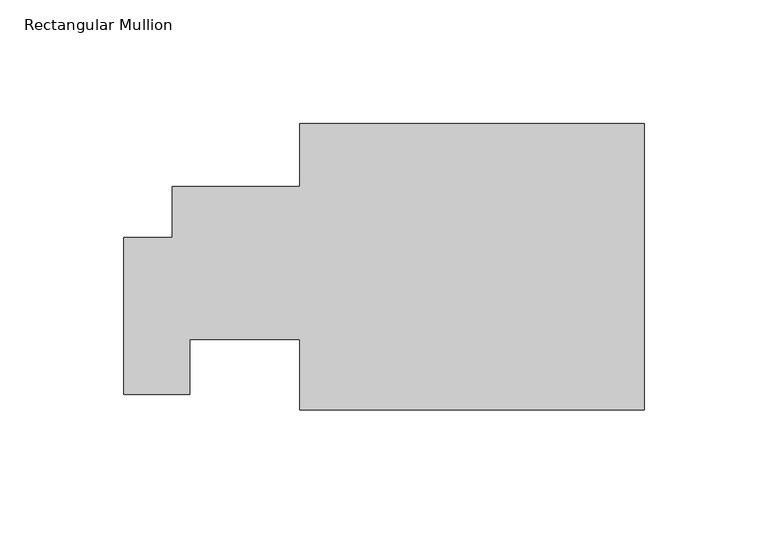
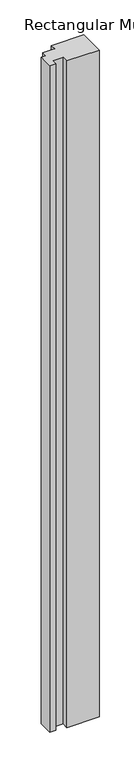
"""IFC4 building model written with IfcOpenShell, lengths in millimetres: member geometry, Rectangular Mullion."""

from ifc_helpers import new_model, si_unit, frame, origin, place, context, project, spatial, polyline, outline, extrude, source, transform, mapped, element, save


def rectangular_mullion_e2143f0f(model_context):
    return source(origin(), model_context, "Body", "SweptSolid", [
        extrude(outline(polyline([(-210.439, -60.7863735), (-210.439, 2.7136265), (-190.7911443, 2.7136265), (-190.7911443, 23.3745493), (-139.1973943, 23.3745493), (-139.1973943, 48.7744361), (0.0, 48.7744361), (0.0, -67.1363735), (-139.1973943, -67.1363735), (-139.1973943, -38.5614867), (-183.6431309, -38.5614867), (-183.6431309, -60.7863735), (-210.439, -60.7863735)])), frame((0.0, 0.0, -3048.0), z_axis=(0.0, 0.0, 1.0), x_axis=(1.0, 0.0, 0.0)), (0.0, 0.0, 1.0), 3048.0),
    ])


if __name__ == "__main__":
    model = new_model("IFC4")
    model_context = context("Model", 3, world=origin())
    ifc_project = project(units=[si_unit("LENGTHUNIT", "METRE", prefix="MILLI")], contexts=[model_context])
    site = spatial("IfcSite", under=ifc_project)
    building = spatial("IfcBuilding", under=site)
    placement = place(None, origin())
    rectangular_mullion_shape = rectangular_mullion_e2143f0f(model_context)
    element("IfcMember", 1, ObjectType="Rectangular Mullion", at=placement, inside=building, context=model_context, shape_type="MappedRepresentation", body=[
        mapped(rectangular_mullion_shape, transform((0.0, 0.0, 0.0), x_axis=(1.0, 0.0, 0.0), y_axis=(0.0, 1.0, 0.0), z_axis=(0.0, 0.0, 1.0))),
    ])
    save(model, "model.ifc")
